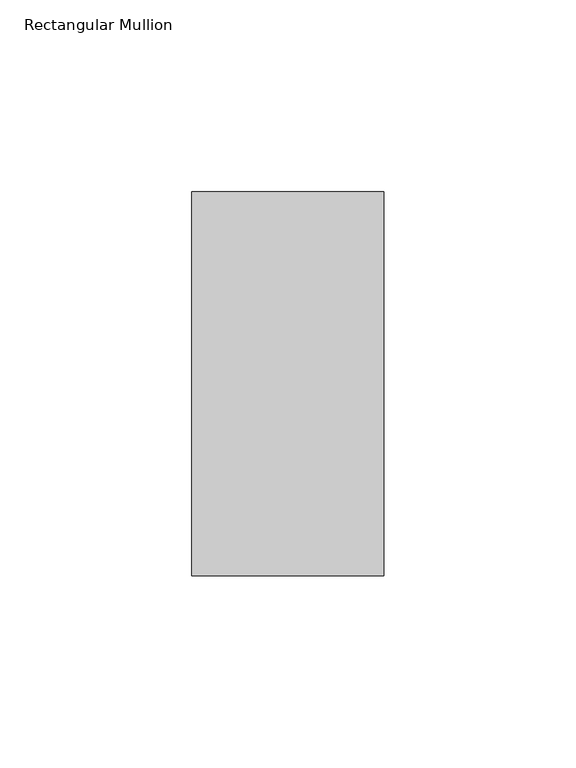
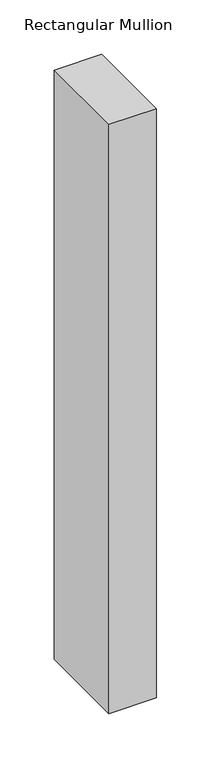
"""IFC4 building model written with IfcOpenShell, lengths in millimetres: member geometry, Rectangular Mullion."""

from ifc_helpers import new_model, si_unit, frame, origin, place, context, project, spatial, polyline, outline, extrude, source, transform, mapped, element, save


def rectangular_mullion_470c5b7e(model_context):
    return source(origin(), model_context, "Body", "SweptSolid", [
        extrude(outline(polyline([(0.0, 31.0), (0.0, -69.0), (-50.0, -69.0), (-50.0, 31.0), (0.0, 31.0)])), frame((0.0, 0.0, -660.0), z_axis=(0.0, 0.0, 1.0), x_axis=(1.0, 0.0, 0.0)), (0.0, 0.0, 1.0), 660.0),
    ])


if __name__ == "__main__":
    model = new_model("IFC4")
    model_context = context("Model", 3, world=origin())
    ifc_project = project(units=[si_unit("LENGTHUNIT", "METRE", prefix="MILLI")], contexts=[model_context])
    site = spatial("IfcSite", under=ifc_project)
    building = spatial("IfcBuilding", under=site)
    placement = place(None, origin())
    rectangular_mullion_shape = rectangular_mullion_470c5b7e(model_context)
    element("IfcMember", 1, ObjectType="Rectangular Mullion", at=placement, inside=building, context=model_context, shape_type="MappedRepresentation", body=[
        mapped(rectangular_mullion_shape, transform((0.0, 0.0, 0.0), x_axis=(1.0, 0.0, 0.0), y_axis=(0.0, 1.0, 0.0), z_axis=(0.0, 0.0, 1.0))),
    ])
    save(model, "model.ifc")
